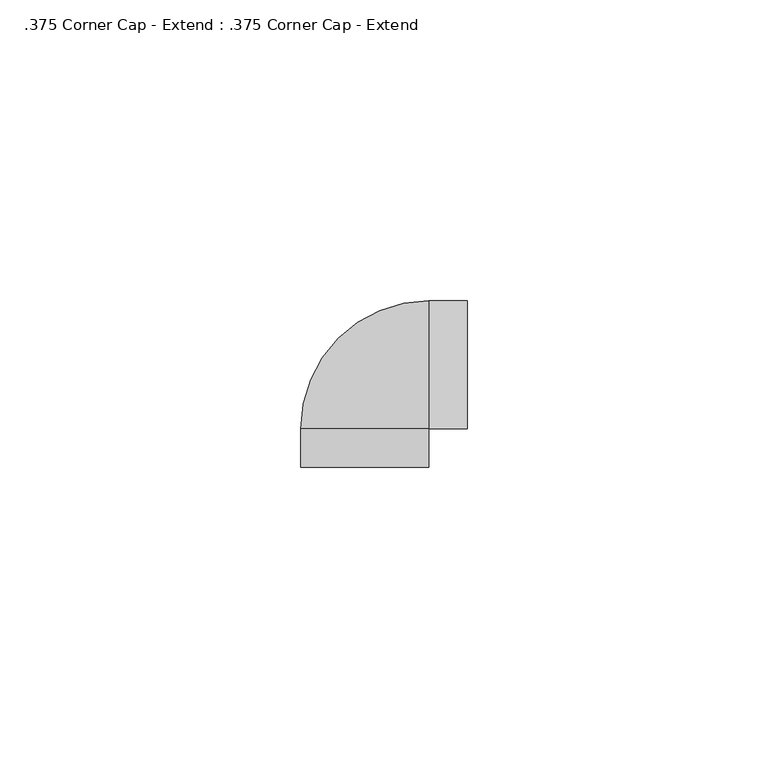
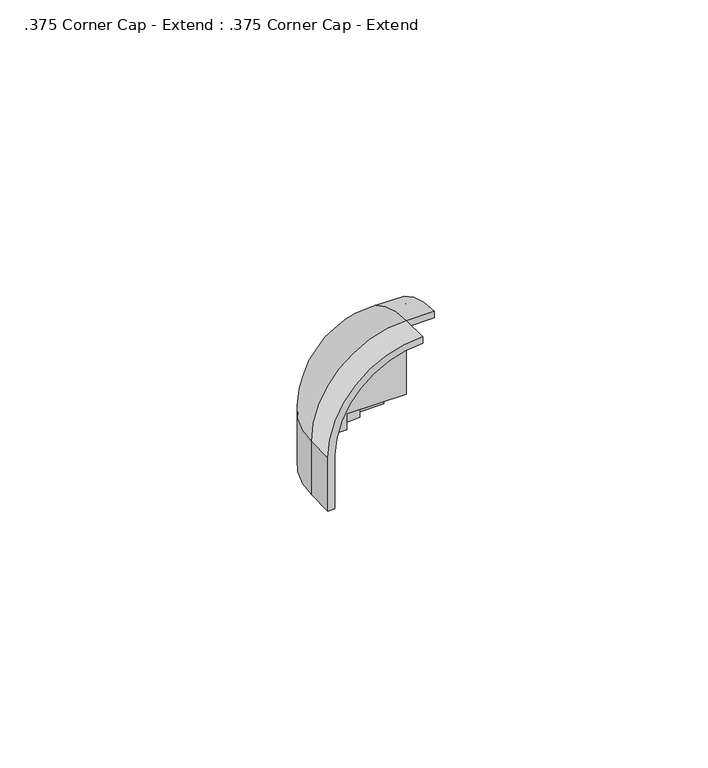
"""IFC4 building model written with IfcOpenShell, lengths in millimetres: proxy geometry, .375 Corner Cap - Extend : .375 Corner Cap - Extend."""

from ifc_helpers import new_model, si_unit, point, frame, origin, place, context, project, spatial, polyline, circle_curve, ellipse_curve, trimmed, source, transform, mapped, element, save
from ifc_brep_helpers import plane_surface, cylinder_surface, revolved_surface, advanced_brep


def proxy_375_corner_cap_extend_375_corner_cap_extend_3f14f5ca(model_context):
    return source(origin(), model_context, "Body", "AdvancedBrep", [
        advanced_brep(
        [(0.0, -6.35, 27.6225), (-21.2725, -6.35, 6.35), (-21.2725, -6.35, -6.35), (-19.685, -6.35, -6.35), (-19.685, -6.35, 6.35), (0.0, -6.35, 26.035), (0.0, 0.0, 26.035), (0.0, 0.0, 27.6225), (0.0, 0.0, 10.1596411), (0.0, 13.335, 10.1596411), (0.0, 13.335, 6.35), (0.0, 18.0975, 6.35), (0.0, 18.0975, -6.35), (0.0, 19.685, -6.35), (0.0, 19.685, 6.35), (-19.685, 0.0, 6.35), (-21.2725, 0.0, 6.35), (-21.2725, 0.0, -6.35), (0.0, 21.2725, -6.35), (6.35, 21.2725, -6.35), (6.35, 19.685, -6.35), (-18.0975, 0.0, -6.35), (-19.685, 0.0, -6.35), (-18.0975, 0.0, 6.35), (-13.335, 0.0, 6.35), (-13.335, 0.0, 10.1596411), (0.0, 21.2725, 6.35), (6.35, 0.0, 27.6225), (6.35, 0.0, 26.035), (6.35, 19.685, 6.35), (6.35, 21.2725, 6.35)],
        [
            (0, 1, circle_curve(frame((0.0, -6.35, 6.35), z_axis=(0.0, -1.0, 0.0), x_axis=(-1.0, 0.0, 0.0)), 21.2725)),
            (1, 2),
            (2, 3),
            (3, 4),
            (4, 5, circle_curve(frame((0.0, -6.35, 6.35), z_axis=(0.0, 1.0, 0.0), x_axis=(-1.0, 0.0, 0.0)), 19.685)),
            (5, 0),
            (5, 6),
            (6, 7),
            (7, 0),
            (8, 9),
            (9, 10),
            (10, 11),
            (11, 12),
            (12, 13),
            (13, 14),
            (14, 6, circle_curve(frame((0.0, 0.0, 6.35), z_axis=(1.0, 0.0, 0.0), x_axis=(0.0, 1.0, 0.0)), 19.685)),
            (6, 8),
            (4, 15),
            (15, 6, circle_curve(frame((0.0, 0.0, 6.35), z_axis=(0.0, 1.0, 0.0), x_axis=(-1.0, 0.0, 0.0)), 19.685)),
            (7, 16, circle_curve(frame((0.0, 0.0, 6.35), z_axis=(0.0, -1.0, 0.0), x_axis=(-1.0, 0.0, 0.0)), 21.2725)),
            (16, 1),
            (16, 17),
            (17, 2),
            (17, 18, circle_curve(frame((0.0, 0.0, -6.35), z_axis=(0.0, 0.0, -1.0), x_axis=(0.0, 1.0, 0.0)), 21.2725)),
            (18, 19),
            (19, 20),
            (20, 13),
            (12, 21, circle_curve(frame((0.0, 0.0, -6.35), z_axis=(0.0, 0.0, 1.0), x_axis=(0.0, 1.0, 0.0)), 18.0975)),
            (21, 22),
            (22, 3),
            (22, 15),
            (21, 23),
            (23, 24),
            (24, 25),
            (25, 8),
            (26, 16, circle_curve(frame((0.0, 0.0, 6.35), z_axis=(0.0, 0.0, 1.0), x_axis=(0.0, 1.0, 0.0)), 21.2725)),
            (7, 26, circle_curve(frame((0.0, 0.0, 6.35), z_axis=(-1.0, 0.0, 0.0), x_axis=(0.0, 1.0, 0.0)), 21.2725)),
            (25, 9, circle_curve(frame((0.0, 0.0, 10.1596411), z_axis=(0.0, 0.0, -1.0), x_axis=(0.0, 1.0, 0.0)), 13.335)),
            (24, 10, circle_curve(frame((0.0, 0.0, 6.35), z_axis=(0.0, 0.0, -1.0), x_axis=(0.0, 1.0, 0.0)), 13.335)),
            (23, 11, circle_curve(frame((0.0, 0.0, 6.35), z_axis=(0.0, 0.0, -1.0), x_axis=(0.0, 1.0, 0.0)), 18.0975)),
            (26, 18),
            (27, 28),
            (28, 29, circle_curve(frame((6.35, 0.0, 6.35), z_axis=(-1.0, 0.0, 0.0), x_axis=(0.0, 1.0, 0.0)), 19.685)),
            (29, 20),
            (19, 30),
            (30, 27, circle_curve(frame((6.35, 0.0, 6.35), z_axis=(1.0, 0.0, 0.0), x_axis=(0.0, 1.0, 0.0)), 21.2725)),
            (27, 7),
            (6, 28),
            (14, 29),
            (30, 26),
        ],
        [
            plane_surface(frame((-21.2725, -6.35, 6.35), z_axis=(0.0, -1.0, 0.0), x_axis=(0.0, 0.0, -1.0))),
            plane_surface(frame((0.0, -6.35, 26.035), z_axis=(1.0, 0.0, 0.0), x_axis=(0.0, 1.0, 0.0))),
            revolved_surface(polyline([(-19.685, 0.0, 6.35), (-19.685, -6.35, 6.35)]), (0.0, 0.0, 6.35), (0.0, 1.0, 0.0)),
            cylinder_surface(frame((0.0, 0.0, 6.35), z_axis=(0.0, -1.0, 0.0), x_axis=(-1.0, 0.0, 0.0)), 21.2725),
            plane_surface(frame((-21.2725, -6.35, 6.35), z_axis=(-1.0, 0.0, 0.0), x_axis=(0.0, 1.0, 0.0))),
            plane_surface(frame((-21.2725, -6.35, -6.35), z_axis=(0.0, 0.0, -1.0), x_axis=(0.0, 1.0, 0.0))),
            plane_surface(frame((-19.685, -6.35, -6.35), z_axis=(1.0, 0.0, 0.0), x_axis=(0.0, 1.0, 0.0))),
            plane_surface(frame((0.0, 0.0, 0.0), z_axis=(0.0, -1.0, 0.0), x_axis=(-1.0, 0.0, 0.0))),
            revolved_surface(trimmed(ellipse_curve(frame((0.0, 0.0, 6.35), z_axis=(1.0, 0.0, 0.0), x_axis=(0.0, 1.0, 0.0)), 21.2725, 21.2725), [point((0.0, 21.2725, 6.35))], [point((0.0, 0.0, 27.6225))], True, "CARTESIAN"), (0.0, 0.0, 0.0), (0.0, 0.0, 1.0)),
            plane_surface(frame((0.0, 0.0, 10.1596411), z_axis=(0.0, 0.0, -1.0), x_axis=(0.0, 1.0, 0.0))),
            revolved_surface(polyline([(0.0, 13.335, 10.1596411), (0.0, 13.335, 6.35)]), (0.0, 0.0, 0.0), (0.0, 0.0, 1.0)),
            plane_surface(frame((0.0, 0.0, 6.35), z_axis=(0.0, 0.0, -1.0), x_axis=(0.0, 1.0, 0.0))),
            revolved_surface(polyline([(0.0, 18.0975, 6.35), (0.0, 18.0975, -6.35)]), (0.0, 0.0, 0.0), (0.0, 0.0, 1.0)),
            cylinder_surface(frame((0.0, 0.0, 0.0), z_axis=(0.0, 0.0, 1.0), x_axis=(0.0, 1.0, 0.0)), 21.2725),
            plane_surface(frame((6.35, 0.0, 27.6225), z_axis=(1.0, 0.0, 0.0), x_axis=(0.0, 0.0, -1.0))),
            plane_surface(frame((6.35, 0.0, 27.6225), z_axis=(0.0, -1.0, 0.0), x_axis=(-1.0, 0.0, 0.0))),
            revolved_surface(polyline([(0.0, 19.685, 6.35), (6.35, 19.685, 6.35)]), (0.0, 0.0, 6.35), (-1.0, 0.0, 0.0)),
            cylinder_surface(frame((0.0, 0.0, 6.35), z_axis=(1.0, 0.0, 0.0), x_axis=(0.0, 1.0, 0.0)), 21.2725),
            plane_surface(frame((6.35, 19.685, 6.35), z_axis=(0.0, -1.0, 0.0), x_axis=(-1.0, 0.0, 0.0))),
            plane_surface(frame((6.35, 21.2725, -6.35), z_axis=(0.0, 1.0, 0.0), x_axis=(-1.0, 0.0, 0.0))),
        ],
        [
            (0, [[1, 2, 3, 4, 5, 6]]),
            (1, [[-6, 7, 8, 9]]),
            (1, [[10, 11, 12, 13, 14, 15, 16, 17]]),
            (2, [[-5, 18, 19, -7]]),
            (3, [[-1, -9, 20, 21]]),
            (4, [[-2, -21, 22, 23]]),
            (5, [[-3, -23, 24, 25, 26, 27, -14, 28, 29, 30]]),
            (6, [[-4, -30, 31, -18]]),
            (7, [[32, 33, 34, 35, -17, -19, -31, -29]]),
            (8, [[36, -20, 37]]),
            (9, [[-10, -35, 38]]),
            (10, [[-11, -38, -34, 39]]),
            (11, [[-12, -39, -33, 40]]),
            (12, [[-13, -40, -32, -28]]),
            (13, [[-36, 41, -24, -22]]),
            (14, [[42, 43, 44, -26, 45, 46]]),
            (15, [[-42, 47, -8, 48]]),
            (16, [[-43, -48, -16, 49]]),
            (17, [[-46, 50, -37, -47]]),
            (18, [[-44, -49, -15, -27]]),
            (19, [[-45, -25, -41, -50]]),
        ],
    ),
    ])


if __name__ == "__main__":
    model = new_model("IFC4")
    model_context = context("Model", 3, world=origin())
    ifc_project = project(units=[si_unit("LENGTHUNIT", "METRE", prefix="MILLI")], contexts=[model_context])
    site = spatial("IfcSite", under=ifc_project)
    building = spatial("IfcBuilding", under=site)
    placement = place(None, origin())
    proxy_375_corner_cap_extend_375_corner_cap_extend_shape = proxy_375_corner_cap_extend_375_corner_cap_extend_3f14f5ca(model_context)
    element("IfcBuildingElementProxy", 1, Name=".375 Corner Cap - Extend : .375 Corner Cap - Extend", ObjectType=".375 Corner Cap - Extend : .375 Corner Cap - Extend", at=placement, inside=building, context=model_context, shape_type="MappedRepresentation", body=[
        mapped(proxy_375_corner_cap_extend_375_corner_cap_extend_shape, transform((0.0, 0.0, 0.0), x_axis=(1.0, 0.0, 0.0), y_axis=(0.0, 1.0, 0.0), z_axis=(0.0, 0.0, 1.0))),
    ])
    save(model, "model.ifc")
